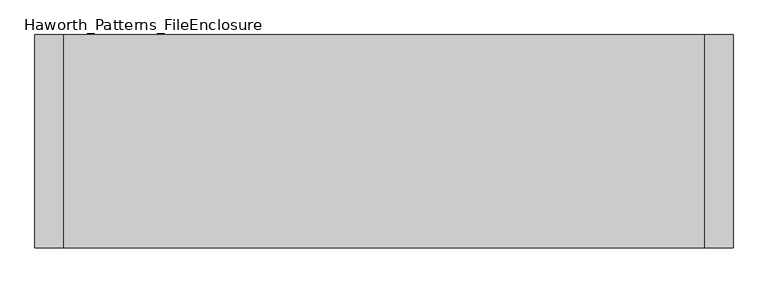
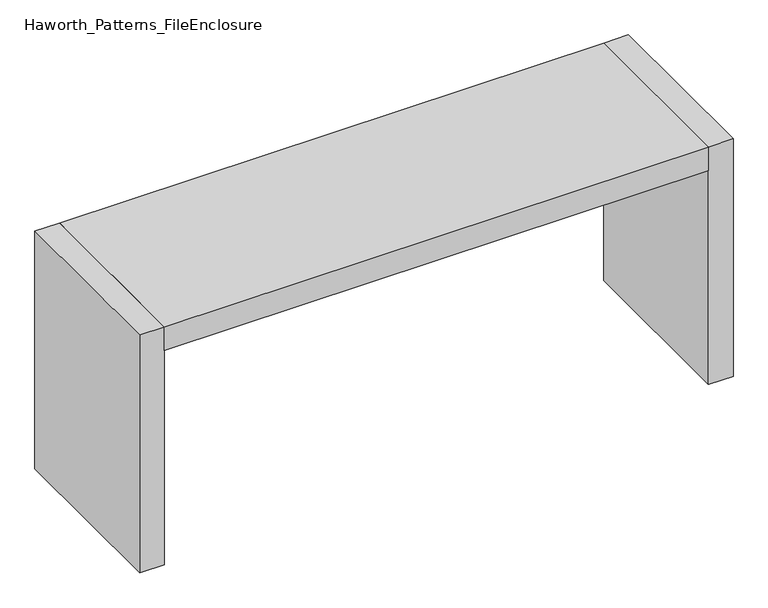
"""IFC4 building model written with IfcOpenShell, lengths in millimetres: furniture geometry, Haworth_Patterns_FileEnclosure."""

from ifc_helpers import new_model, si_unit, frame, origin, origin_with_axes, place, context, project, spatial, polyline, outline, extrude, source, transform, mapped, element, save


def haworth_patterns_fileenclosure_98c1a6ff(model_context):
    return source(origin(), model_context, "Body", "SweptSolid", [
        extrude(outline(polyline([(838.2, 0.0), (838.2, -558.8), (-838.2, -558.8), (-838.2, 0.0), (838.2, 0.0)])), frame((0.0, 0.0, 698.5), z_axis=(0.0, 0.0, 1.0), x_axis=(1.0, 0.0, 0.0)), (0.0, 0.0, 1.0), 76.2),
        extrude(outline(polyline([(838.2, 0.0), (914.4, 0.0), (914.4, -558.8), (838.2, -558.8), (838.2, 0.0)])), origin_with_axes(), (0.0, 0.0, 1.0), 774.7),
        extrude(outline(polyline([(-838.2, 0.0), (-838.2, -558.8), (-914.4, -558.8), (-914.4, 0.0), (-838.2, 0.0)])), origin_with_axes(), (0.0, 0.0, 1.0), 774.7),
    ])


if __name__ == "__main__":
    model = new_model("IFC4")
    model_context = context("Model", 3, world=origin())
    ifc_project = project(units=[si_unit("LENGTHUNIT", "METRE", prefix="MILLI")], contexts=[model_context])
    site = spatial("IfcSite", under=ifc_project)
    building = spatial("IfcBuilding", under=site)
    placement = place(None, origin())
    haworth_patterns_fileenclosure_shape = haworth_patterns_fileenclosure_98c1a6ff(model_context)
    element("IfcFurniture", 1, ObjectType="Haworth_Patterns_FileEnclosure", at=placement, inside=building, context=model_context, shape_type="MappedRepresentation", body=[
        mapped(haworth_patterns_fileenclosure_shape, transform((0.0, 0.0, 0.0), x_axis=(1.0, 0.0, 0.0), y_axis=(0.0, 1.0, 0.0), z_axis=(0.0, 0.0, 1.0))),
    ])
    save(model, "model.ifc")
